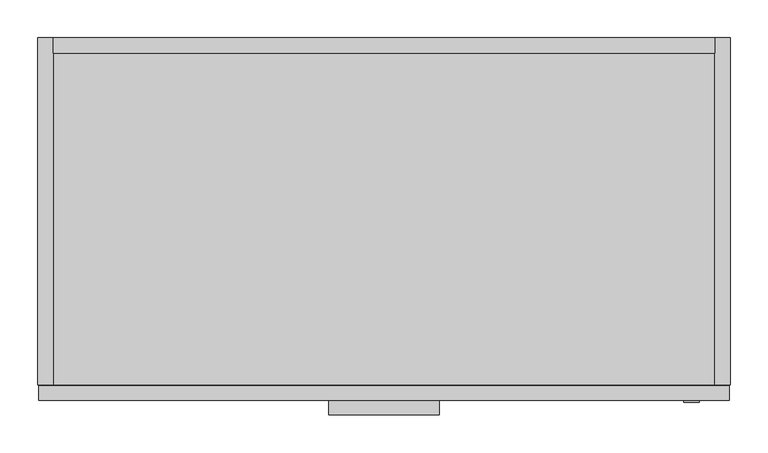
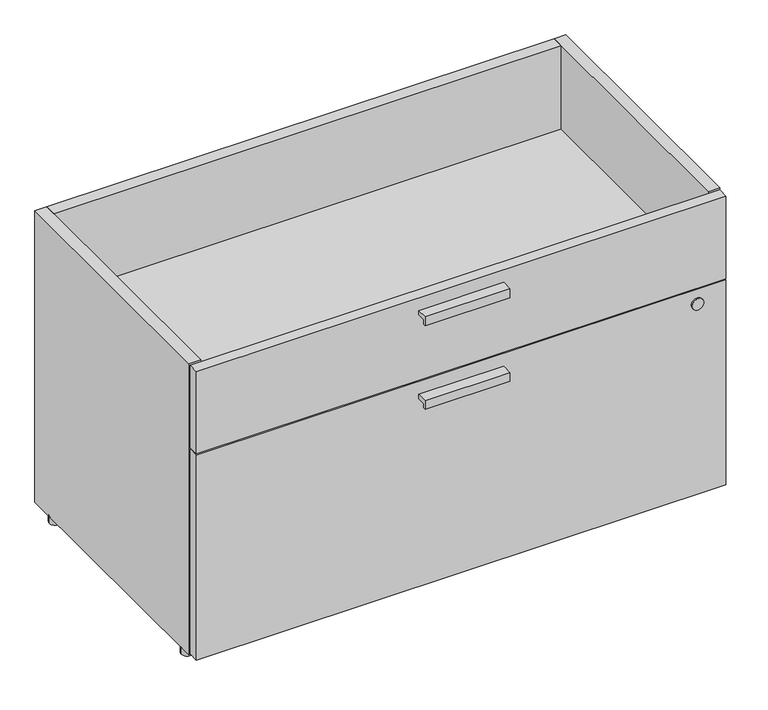
"""IFC4 building model written with IfcOpenShell, lengths in millimetres: furniture geometry."""

from ifc_helpers import new_model, si_unit, point, frame, frame_2d, origin, origin_with_axes, place, context, project, spatial, polyline, circle_curve, trimmed, segment, composite_curve, outline, extrude, source, transform, mapped, element, save


def furniture_789c6f9a(model_context):
    return source(origin(), model_context, "Body", "SweptSolid", [
        extrude(outline(polyline([(-498.5971736, 365.125), (-479.425, 365.125), (-479.425, 357.1748), (-494.157, 357.1748), (-494.157, 349.2246), (-498.5971736, 349.2246), (-498.5971736, 365.125)])), frame((384.175, 0.0, 0.0), z_axis=(1.0, 0.0, 0.0), x_axis=(0.0, 1.0, 0.0)), (0.0, 0.0, 1.0), 146.05),
        extrude(outline(polyline([(-498.5971736, 517.525), (-479.425, 517.525), (-479.425, 509.5748), (-494.157, 509.5748), (-494.157, 501.6246), (-498.5971736, 501.6246), (-498.5971736, 517.525)])), frame((384.175, 0.0, 0.0), z_axis=(1.0, 0.0, 0.0), x_axis=(0.0, 1.0, 0.0)), (0.0, 0.0, 1.0), 146.05),
        extrude(outline(composite_curve([segment(trimmed(circle_curve(frame_2d((362.585, 863.6)), 10.16), [point((362.585, 853.44))], [point((362.585, 873.76))], False, "CARTESIAN"), True, "CONTINUOUS"), segment(trimmed(circle_curve(frame_2d((362.585, 863.6)), 10.16), [point((362.585, 873.76))], [point((362.585, 853.44))], False, "CARTESIAN"), True, "CONTINUOUS")], self_intersect=False)), frame((0.0, -481.965, 0.0), z_axis=(0.0, 1.0, 0.0), x_axis=(0.0, 0.0, 1.0)), (0.0, 0.0, 1.0), 2.54),
        extrude(outline(composite_curve([segment(trimmed(circle_curve(frame_2d((10.16, -43.18)), 10.16), [point((0.0, -43.18))], [point((20.32, -43.18))], False, "CARTESIAN"), True, "CONTINUOUS"), segment(trimmed(circle_curve(frame_2d((10.16, -43.18)), 10.16), [point((20.32, -43.18))], [point((0.0, -43.18))], False, "CARTESIAN"), True, "CONTINUOUS")], self_intersect=False)), origin_with_axes(), (0.0, 0.0, 1.0), 12.7),
        extrude(outline(composite_curve([segment(trimmed(circle_curve(frame_2d((904.24, -43.18)), 10.16), [point((894.08, -43.18))], [point((914.4, -43.18))], False, "CARTESIAN"), True, "CONTINUOUS"), segment(trimmed(circle_curve(frame_2d((904.24, -43.18)), 10.16), [point((914.4, -43.18))], [point((894.08, -43.18))], False, "CARTESIAN"), True, "CONTINUOUS")], self_intersect=False)), origin_with_axes(), (0.0, 0.0, 1.0), 12.7),
        extrude(outline(composite_curve([segment(trimmed(circle_curve(frame_2d((10.16, -436.245)), 10.16), [point((0.0, -436.245))], [point((20.32, -436.245))], False, "CARTESIAN"), True, "CONTINUOUS"), segment(trimmed(circle_curve(frame_2d((10.16, -436.245)), 10.16), [point((20.32, -436.245))], [point((0.0, -436.245))], False, "CARTESIAN"), True, "CONTINUOUS")], self_intersect=False)), origin_with_axes(), (0.0, 0.0, 1.0), 12.7),
        extrude(outline(composite_curve([segment(trimmed(circle_curve(frame_2d((904.24, -436.245)), 10.16), [point((894.08, -436.245))], [point((914.4, -436.245))], False, "CARTESIAN"), True, "CONTINUOUS"), segment(trimmed(circle_curve(frame_2d((904.24, -436.245)), 10.16), [point((914.4, -436.245))], [point((894.08, -436.245))], False, "CARTESIAN"), True, "CONTINUOUS")], self_intersect=False)), origin_with_axes(), (0.0, 0.0, 1.0), 12.7),
        extrude(outline(polyline([(913.13, -460.375), (913.13, -479.425), (1.27, -479.425), (1.27, -460.375), (913.13, -460.375)])), frame((0.0, 0.0, 390.525), z_axis=(0.0, 0.0, 1.0), x_axis=(1.0, 0.0, 0.0)), (0.0, 0.0, 1.0), 149.86),
        extrude(outline(polyline([(913.13, -460.375), (913.13, -479.425), (1.27, -479.425), (1.27, -460.375), (913.13, -460.375)])), frame((0.0, 0.0, 15.24), z_axis=(0.0, 0.0, 1.0), x_axis=(1.0, 0.0, 0.0)), (0.0, 0.0, 1.0), 372.745),
        extrude(outline(polyline([(894.08, -20.32), (894.08, -459.105), (20.32, -459.105), (20.32, -20.32), (894.08, -20.32)])), frame((0.0, 0.0, 370.205), z_axis=(0.0, 0.0, 1.0), x_axis=(1.0, 0.0, 0.0)), (0.0, 0.0, 1.0), 20.32),
        extrude(outline(polyline([(0.0, 12.7), (-459.105, 12.7), (-459.105, 105.41), (-20.32, 105.41), (-20.32, 542.925), (0.0, 542.925), (0.0, 12.7)])), frame((20.32, 0.0, 0.0), z_axis=(1.0, 0.0, 0.0), x_axis=(0.0, 1.0, 0.0)), (0.0, 0.0, 1.0), 873.76),
        extrude(outline(polyline([(20.32, 0.0), (20.32, -459.105), (0.0, -459.105), (0.0, 0.0), (20.32, 0.0)])), frame((0.0, 0.0, 12.7), z_axis=(0.0, 0.0, 1.0), x_axis=(1.0, 0.0, 0.0)), (0.0, 0.0, 1.0), 530.225),
        extrude(outline(polyline([(894.08, 0.0), (914.4, 0.0), (914.4, -459.105), (894.08, -459.105), (894.08, 0.0)])), frame((0.0, 0.0, 12.7), z_axis=(0.0, 0.0, 1.0), x_axis=(1.0, 0.0, 0.0)), (0.0, 0.0, 1.0), 530.225),
    ])


if __name__ == "__main__":
    model = new_model("IFC4")
    model_context = context("Model", 3, world=origin())
    ifc_project = project(units=[si_unit("LENGTHUNIT", "METRE", prefix="MILLI")], contexts=[model_context])
    site = spatial("IfcSite", under=ifc_project)
    building = spatial("IfcBuilding", under=site)
    placement = place(None, origin())
    furniture_shape = furniture_789c6f9a(model_context)
    element("IfcFurniture", 1, at=placement, inside=building, context=model_context, shape_type="MappedRepresentation", body=[
        mapped(furniture_shape, transform((0.0, 0.0, 0.0), x_axis=(1.0, 0.0, 0.0), y_axis=(0.0, 1.0, 0.0), z_axis=(0.0, 0.0, 1.0))),
    ])
    save(model, "model.ifc")
